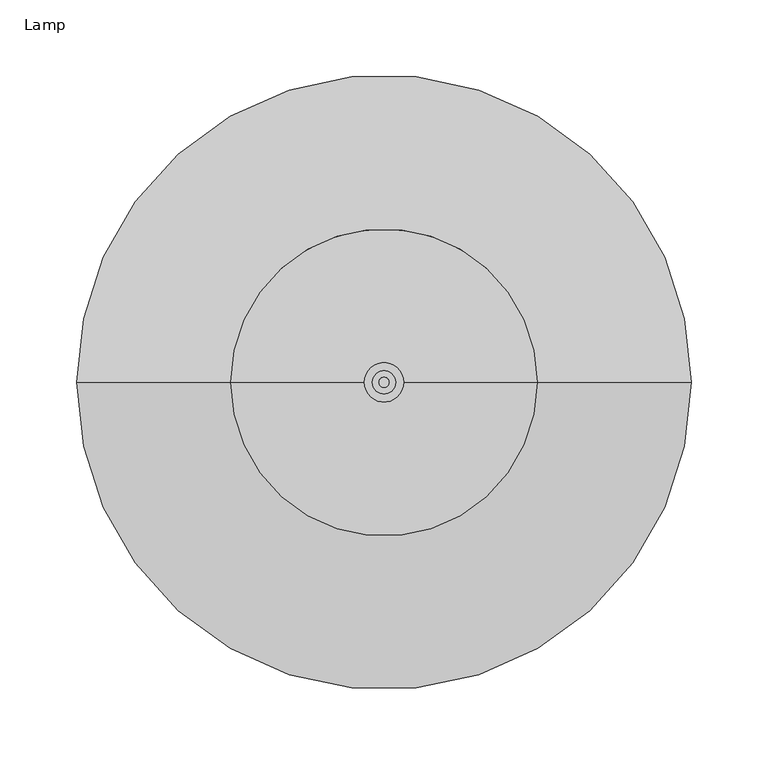
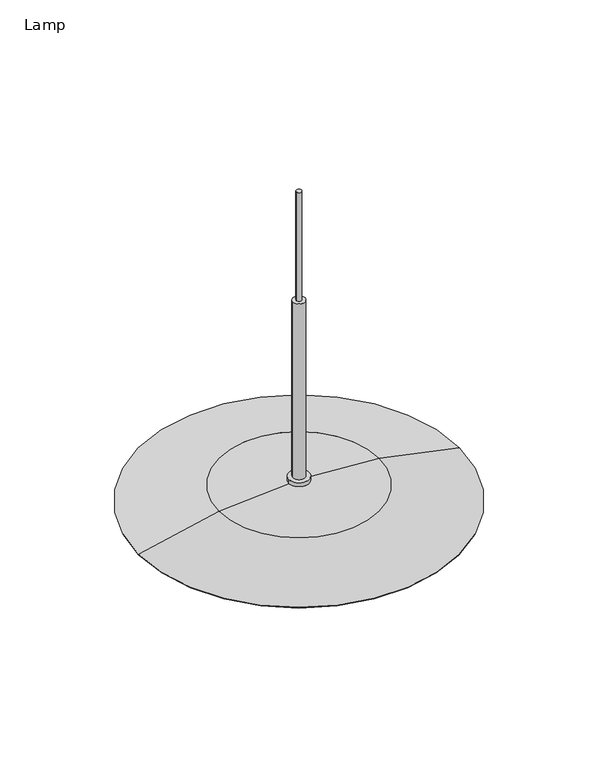
"""IFC4 building model written with IfcOpenShell, lengths in millimetres: furniture geometry, Lamp."""

from ifc_helpers import new_model, si_unit, point, frame, origin, origin_2d, place, context, project, spatial, polyline, circle_curve, ellipse_curve, trimmed, segment, composite_curve, outline, extrude, source, transform, mapped, element, save
from ifc_brep_helpers import plane_surface, cylinder_surface, revolved_surface, advanced_brep


def lamp_3e814cfd(model_context):
    return source(origin(), model_context, "Body", "SolidModel", [
        advanced_brep(
        [(-199.9999198, 0.0, 1841.4844957), (199.9999198, 0.0, 1841.4844957), (199.44372, 0.0, 1840.2023817), (-199.44372, 0.0, 1840.2023817), (-100.0515175, 0.0, 1862.8801378), (100.0515175, 0.0, 1862.8801378), (-12.7618293, 0.0, 1869.0781218), (12.7618293, 0.0, 1869.0781218), (0.0, 0.0, 1840.2023817), (-12.7618293, 0.0, 1874.5307683), (12.7618293, 0.0, 1874.5307683)],
        [
            (0, 1, circle_curve(frame((0.0, 0.0, 1841.4844957), z_axis=(0.0, 0.0, -1.0), x_axis=(1.0, 0.0, 0.0)), 199.9999198)),
            (1, 2),
            (2, 3, circle_curve(frame((0.0, 0.0, 1840.2023817), z_axis=(0.0, 0.0, 1.0), x_axis=(1.0, 0.0, 0.0)), 199.44372)),
            (3, 0),
            (1, 0, circle_curve(frame((0.0, 0.0, 1841.4844957), z_axis=(0.0, 0.0, -1.0), x_axis=(1.0, 0.0, 0.0)), 199.9999198)),
            (3, 2, circle_curve(frame((0.0, 0.0, 1840.2023817), z_axis=(0.0, 0.0, 1.0), x_axis=(1.0, 0.0, 0.0)), 199.44372)),
            (0, 4, circle_curve(frame((-33.8667664, 0.0, 1309.5530443), z_axis=(0.0, 1.0, 0.0), x_axis=(-1.0, 0.0, 0.0)), 557.2712927)),
            (4, 5, circle_curve(frame((0.0, 0.0, 1862.8801378), z_axis=(0.0, 0.0, -1.0), x_axis=(1.0, 0.0, 0.0)), 100.0515175)),
            (5, 1, circle_curve(frame((33.8667664, 0.0, 1309.5530443), z_axis=(0.0, 1.0, 0.0), x_axis=(1.0, 0.0, 0.0)), 557.2712927)),
            (5, 4, circle_curve(frame((0.0, 0.0, 1862.8801378), z_axis=(0.0, 0.0, -1.0), x_axis=(1.0, 0.0, 0.0)), 100.0515175)),
            (4, 6, circle_curve(frame((7.8901312, 0.0, 960.4511371), z_axis=(0.0, 1.0, 0.0), x_axis=(-1.0, 0.0, 0.0)), 908.8616511)),
            (6, 7, circle_curve(frame((0.0, 0.0, 1869.0781218), z_axis=(0.0, 0.0, -1.0), x_axis=(1.0, 0.0, 0.0)), 12.7618293)),
            (7, 5, circle_curve(frame((-7.8901312, 0.0, 960.4511371), z_axis=(0.0, 1.0, 0.0), x_axis=(1.0, 0.0, 0.0)), 908.8616511)),
            (7, 6, circle_curve(frame((0.0, 0.0, 1869.0781218), z_axis=(0.0, 0.0, -1.0), x_axis=(1.0, 0.0, 0.0)), 12.7618293)),
            (2, 8),
            (8, 3),
            (9, 10, circle_curve(frame((0.0, 0.0, 1874.5307683), z_axis=(0.0, 0.0, 1.0), x_axis=(1.0, 0.0, 0.0)), 12.7618293)),
            (10, 9, circle_curve(frame((0.0, 0.0, 1874.5307683), z_axis=(0.0, 0.0, 1.0), x_axis=(1.0, 0.0, 0.0)), 12.7618293)),
            (9, 6),
            (7, 10),
        ],
        [
            revolved_surface(polyline([(199.44372, 0.0, 1840.2023817), (199.9999198, 0.0, 1841.4844957)]), (0.0, 0.0, 1640.2023817), (0.0, 0.0, 1.0)),
            revolved_surface(trimmed(ellipse_curve(frame((33.8667664, 0.0, 1309.5530443), z_axis=(0.0, -1.0, 0.0), x_axis=(1.0, 0.0, 0.0)), 557.2712927, 557.2712927), [point((199.9999198, 0.0, 1841.4844957))], [point((100.0515175, 0.0, 1862.8801378))], True, "CARTESIAN"), (0.0, 0.0, 1640.2023817), (0.0, 0.0, 1.0)),
            revolved_surface(trimmed(ellipse_curve(frame((-7.8901312, 0.0, 960.4511371), z_axis=(0.0, -1.0, 0.0), x_axis=(1.0, 0.0, 0.0)), 908.8616511, 908.8616511), [point((100.0515175, 0.0, 1862.8801378))], [point((7.5177903, 0.0, 1869.1821737))], True, "CARTESIAN"), (0.0, 0.0, 1640.2023817), (0.0, 0.0, 1.0)),
            plane_surface(frame((0.0, 0.0, 1840.2023817), z_axis=(0.0, 0.0, -1.0), x_axis=(1.0, 0.0, 0.0))),
            plane_surface(frame((12.7618293, 0.0, 1874.5307683), z_axis=(0.0, 0.0, 1.0), x_axis=(0.0, 1.0, 0.0))),
            cylinder_surface(frame((0.0, 0.0, 1863.4030904), z_axis=(0.0, 0.0, 1.0), x_axis=(1.0, 0.0, 0.0)), 12.7618293),
        ],
        [
            (0, [[1, 2, 3, 4]]),
            (0, [[-2, 5, -4, 6]]),
            (1, [[-1, 7, 8, 9]]),
            (1, [[-5, -9, 10, -7]]),
            (2, [[-8, 11, 12, 13]]),
            (2, [[-10, -13, 14, -11]]),
            (3, [[-3, 15, 16]]),
            (3, [[-6, -16, -15]]),
            (4, [[17, 18]]),
            (5, [[-17, 19, -14, 20]]),
            (5, [[-18, -20, -12, -19]]),
        ],
    ),
        extrude(outline(composite_curve([segment(trimmed(circle_curve(origin_2d(), 37.5168434), [point((-37.5168434, 0.0))], [point((37.5168434, 0.0))], False, "CARTESIAN"), True, "CONTINUOUS"), segment(trimmed(circle_curve(origin_2d(), 37.5168434), [point((37.5168434, 0.0))], [point((-37.5168434, 0.0))], False, "CARTESIAN"), True, "CONTINUOUS")], self_intersect=False)), frame((0.0, 0.0, 1741.4479741), z_axis=(0.0, 0.0, 1.0), x_axis=(1.0, 0.0, 0.0)), (0.0, 0.0, 1.0), 24.0000191),
        extrude(outline(composite_curve([segment(trimmed(circle_curve(origin_2d(), 7.5903519), [point((-7.5903519, 0.0))], [point((7.5903519, 0.0))], False, "CARTESIAN"), True, "CONTINUOUS"), segment(trimmed(circle_curve(origin_2d(), 7.5903519), [point((7.5903519, 0.0))], [point((-7.5903519, 0.0))], False, "CARTESIAN"), True, "CONTINUOUS")], self_intersect=False)), frame((0.0, 0.0, 1744.5929654), z_axis=(0.0, 0.0, 1.0), x_axis=(1.0, 0.0, 0.0)), (0.0, 0.0, 1.0), 361.8549782),
        extrude(outline(composite_curve([segment(trimmed(circle_curve(origin_2d(), 3.2790423), [point((-3.2790423, 0.0))], [point((3.2790423, 0.0))], False, "CARTESIAN"), True, "CONTINUOUS"), segment(trimmed(circle_curve(origin_2d(), 3.2790423), [point((3.2790423, 0.0))], [point((-3.2790423, 0.0))], False, "CARTESIAN"), True, "CONTINUOUS")], self_intersect=False)), frame((0.0, 0.0, 2106.4479436), z_axis=(0.0, 0.0, 1.0), x_axis=(1.0, 0.0, 0.0)), (0.0, 0.0, 1.0), 143.5520564),
    ])


if __name__ == "__main__":
    model = new_model("IFC4")
    model_context = context("Model", 3, world=origin())
    ifc_project = project(units=[si_unit("LENGTHUNIT", "METRE", prefix="MILLI")], contexts=[model_context])
    site = spatial("IfcSite", under=ifc_project)
    building = spatial("IfcBuilding", under=site)
    placement = place(None, origin())
    lamp_shape = lamp_3e814cfd(model_context)
    element("IfcFurniture", 1, ObjectType="Lamp", at=placement, inside=building, context=model_context, shape_type="MappedRepresentation", body=[
        mapped(lamp_shape, transform((0.0, 0.0, 0.0), x_axis=(1.0, 0.0, 0.0), y_axis=(0.0, 1.0, 0.0), z_axis=(0.0, 0.0, 1.0))),
    ])
    save(model, "model.ifc")
